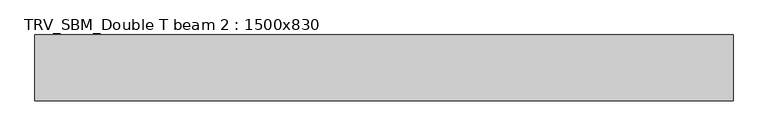
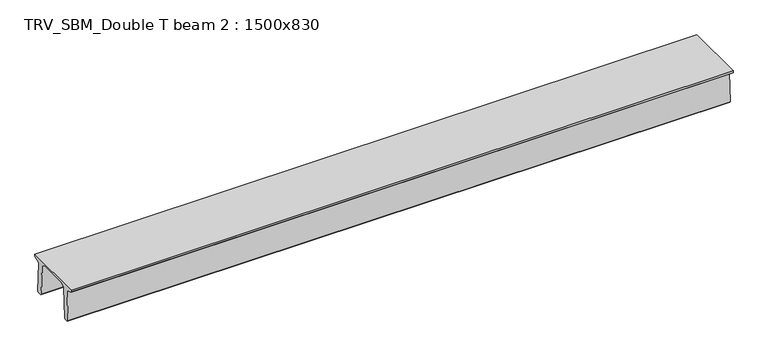
"""IFC4 building model written with IfcOpenShell, lengths in millimetres: beam geometry, TRV_SBM_Double T beam 2 : 1500x830."""

import ifcopenshell
import ifcopenshell.guid

model = None  # the IFC model being written
_history = None  # IfcOwnerHistory: only IFC2X3 demands one
_inside = {}  # id of a spatial element -> (the spatial element, [elements in it])
_under = {}  # id of a project, library or spatial element -> (it, [spatial elements below it])
_declared = {}  # id of a project -> (the project, [libraries it declares])
_typed = {}  # id of a type object -> (the type object, [elements of that type])
_made_of = {}  # id of a material, layer set ... -> (it, [elements and type objects made of it])


def new_model(schema):
    """Start an empty IFC model of exactly this schema.

    Asked for "IFC4X3", IfcOpenShell would pick the latest addendum, in which some entities
    have other attributes; the version numbers below select the first issue.
    IFC2X3 requires an IfcOwnerHistory on every rooted entity: one is made here for all.
    """
    global model, _history
    if schema == "IFC4X3":
        model = ifcopenshell.file(schema_version=(4, 3, 0, 0))
    else:
        model = ifcopenshell.file(schema=schema)
    _inside.clear()
    _under.clear()
    _declared.clear()
    _typed.clear()
    _made_of.clear()
    _history = None
    if model.schema == "IFC2X3":
        org = make("IfcOrganization", Name="unknown")
        user = make(
            "IfcPersonAndOrganization",
            ThePerson=make("IfcPerson", FamilyName="unknown"),
            TheOrganization=org,
        )
        app = make(
            "IfcApplication",
            ApplicationDeveloper=org,
            Version="unknown",
            ApplicationFullName="unknown",
            ApplicationIdentifier="unknown",
        )
        _history = make(
            "IfcOwnerHistory",
            OwningUser=user,
            OwningApplication=app,
            ChangeAction="ADDED",
            CreationDate=0,
        )
    return model


def make(cls, **values):
    """One entity of the class cls with the attributes given. An attribute that is None is left unset."""
    return model.create_entity(
        cls, **{name: value for name, value in values.items() if value is not None}
    )


def rooted(cls, **values):
    """An entity with a GlobalId (a new one), such as an element, a storey or a relation."""
    return make(cls, GlobalId=ifcopenshell.guid.new(), OwnerHistory=_history, **values)


def si_unit(unit_type, name, prefix=None):
    """IfcSIUnit, for example si_unit("LENGTHUNIT", "METRE", prefix="MILLI")."""
    return make("IfcSIUnit", UnitType=unit_type, Prefix=prefix, Name=name)


def assignment(units):
    """IfcUnitAssignment: the units of a project."""
    return None if units is None else make("IfcUnitAssignment", Units=units)


def point(xyz):
    """IfcCartesianPoint."""
    return None if xyz is None else make("IfcCartesianPoint", Coordinates=xyz)


def direction(xyz):
    """IfcDirection."""
    return None if xyz is None else make("IfcDirection", DirectionRatios=xyz)


def frame(location, z_axis=None, x_axis=None):
    """IfcAxis2Placement3D, a coordinate frame: its origin and axes. An axis left out is left unset."""
    return make(
        "IfcAxis2Placement3D",
        Location=point(location),
        Axis=direction(z_axis),
        RefDirection=direction(x_axis),
    )


def origin():
    """The frame at (0, 0, 0) with its axes left unset."""
    return frame((0.0, 0.0, 0.0))


def place(relative_to, where):
    """IfcLocalPlacement: puts the frame where relative to a parent placement (None: the world)."""
    return make(
        "IfcLocalPlacement", PlacementRelTo=relative_to, RelativePlacement=where
    )


def context(
    kind, dimensions, precision=None, world=None, true_north=None, identifier=None
):
    """IfcGeometricRepresentationContext, for example the 3D "Model" context."""
    return make(
        "IfcGeometricRepresentationContext",
        ContextIdentifier=identifier,
        ContextType=kind,
        CoordinateSpaceDimension=dimensions,
        Precision=precision,
        WorldCoordinateSystem=world,
        TrueNorth=true_north,
    )


def project(units=None, contexts=None):
    """IfcProject with its units and contexts."""
    return rooted(
        "IfcProject",
        Name="project",
        RepresentationContexts=contexts,
        UnitsInContext=assignment(units),
    )


def spatial(cls, under=None, at=None, **own):
    """A site, building, storey or space (cls), placed at a placement, below another one or the project."""
    s = rooted(cls, ObjectPlacement=at, **own)
    if under is not None:
        _under.setdefault(under.id(), (under, []))[1].append(s)
    return s


def polyline(points):
    """IfcPolyline through the points."""
    return make("IfcPolyline", Points=[point(p) for p in points])


def outline(outer, holes=None, kind="AREA"):
    """IfcArbitraryClosedProfileDef: a profile drawn as a closed curve; with holes, ...WithVoids."""
    if holes is None:
        return make("IfcArbitraryClosedProfileDef", ProfileType=kind, OuterCurve=outer)
    return make(
        "IfcArbitraryProfileDefWithVoids",
        ProfileType=kind,
        OuterCurve=outer,
        InnerCurves=holes,
    )


def extrude(swept, where, along, depth):
    """IfcExtrudedAreaSolid: the profile swept, set in the frame where, extruded along a direction by depth."""
    return make(
        "IfcExtrudedAreaSolid",
        SweptArea=swept,
        Position=where,
        ExtrudedDirection=direction(along),
        Depth=depth,
    )


def shape(context_of_items, identifier, shape_type, items):
    """IfcShapeRepresentation: the items that make up one representation, for example the "Body"."""
    return make(
        "IfcShapeRepresentation",
        ContextOfItems=context_of_items,
        RepresentationIdentifier=identifier,
        RepresentationType=shape_type,
        Items=items,
    )


def source(mapping_origin, context_of_items, identifier, shape_type, items):
    """IfcRepresentationMap: a shape defined once, which mapped items show again and again."""
    return make(
        "IfcRepresentationMap",
        MappingOrigin=mapping_origin,
        MappedRepresentation=shape(context_of_items, identifier, shape_type, items),
    )


def transform(
    local_origin,
    x_axis=None,
    y_axis=None,
    z_axis=None,
    scale=None,
    scale2=None,
    scale3=None,
    uniform=True,
):
    """IfcCartesianTransformationOperator3D, or its non-uniform kind. x_axis, y_axis, z_axis: its Axis1, 2, 3."""
    if uniform:
        return make(
            "IfcCartesianTransformationOperator3D",
            Axis1=direction(x_axis),
            Axis2=direction(y_axis),
            LocalOrigin=point(local_origin),
            Scale=scale,
            Axis3=direction(z_axis),
        )
    return make(
        "IfcCartesianTransformationOperator3DnonUniform",
        Axis1=direction(x_axis),
        Axis2=direction(y_axis),
        LocalOrigin=point(local_origin),
        Scale=scale,
        Axis3=direction(z_axis),
        Scale2=scale2,
        Scale3=scale3,
    )


def mapped(mapping_source, mapping_target):
    """IfcMappedItem: shows the shape of a source again, moved by a transform."""
    return make(
        "IfcMappedItem", MappingSource=mapping_source, MappingTarget=mapping_target
    )


def made_of(thing, what):
    """Note that an element or type object is made of a material, layer set ...; save() writes the relation."""
    if what is not None:
        _made_of.setdefault(what.id(), (what, []))[1].append(thing)
    return thing


def element(
    cls,
    number,
    at=None,
    inside=None,
    cuts=None,
    type_object=None,
    material=None,
    context=None,
    identifier="Body",
    shape_type=None,
    held_by="IfcProductDefinitionShape",
    body=None,
    shapes=None,
    **own,
):
    """One element of the class cls, such as IfcWall. Its Tag is "e" and its number.

    at: its placement. inside: the storey or other place that contains it. cuts: it is an
    opening in that element (IfcRelVoidsElement). A single representation is given by context,
    identifier, shape_type and body (its items); several are given by shapes. held_by: the class
    of the entity that holds the representations. save() writes the other relations.
    """
    e = rooted(cls, Tag="e%d" % number, ObjectPlacement=at, **own)
    if body is not None:
        shapes = [shape(context, identifier, shape_type, body)]
    if shapes is not None:
        e.Representation = make(held_by, Representations=shapes)
    if inside is not None:
        _inside.setdefault(inside.id(), (inside, []))[1].append(e)
    if cuts is not None:
        rooted(
            "IfcRelVoidsElement", RelatingBuildingElement=cuts, RelatedOpeningElement=e
        )
    if type_object is not None:
        _typed.setdefault(type_object.id(), (type_object, []))[1].append(e)
    return made_of(e, material)


def aggregate(whole, parts):
    """IfcRelAggregates: a whole, such as a stair, and the parts it consists of."""
    return rooted("IfcRelAggregates", RelatingObject=whole, RelatedObjects=parts)


def save(model, path):
    """Write the relations noted so far, then the file.

    IfcRelAggregates (storeys below a building ...), IfcRelContainedInSpatialStructure (elements
    in a storey), IfcRelDefinesByType, IfcRelAssociatesMaterial and IfcRelDeclares: one each for
    every whole, place, type object, material and project.
    """
    for whole, parts in _under.values():
        aggregate(whole, parts)
    for where, things in _inside.values():
        rooted(
            "IfcRelContainedInSpatialStructure",
            RelatedElements=things,
            RelatingStructure=where,
        )
    for kind, things in _typed.values():
        rooted("IfcRelDefinesByType", RelatedObjects=things, RelatingType=kind)
    for what, things in _made_of.values():
        rooted("IfcRelAssociatesMaterial", RelatedObjects=things, RelatingMaterial=what)
    for by, libraries in _declared.values():
        rooted("IfcRelDeclares", RelatingContext=by, RelatedDefinitions=libraries)
    model.write(path)


def trv_sbm_double_t_beam_2_1500x830_d6cf370d(model_context):
    return source(origin(), model_context, "Body", "SweptSolid", [
        extrude(outline(polyline([(337.4555014, 470.0), (-343.4555014, 470.0), (-456.5828437, 409.8491251), (-494.786332, -340.5206011), (-514.2657308, -360.0), (-604.2657308, -360.0), (-624.8277662, -339.4379646), (-586.9373878, 401.9654693), (-752.8511046, 468.9989621), (-753.0, 475.0), (-753.0, 520.0), (747.0, 520.0), (747.0, 475.0), (746.8511046, 468.9989621), (580.9373878, 401.9654693), (618.8277662, -339.4379646), (598.2657308, -360.0), (508.2657308, -360.0), (488.786332, -340.5206011), (450.5828437, 409.8491251), (337.4555014, 470.0)])), frame((-7886.5, 0.0, 0.0), z_axis=(1.0, 0.0, 0.0), x_axis=(0.0, 1.0, 0.0)), (0.0, 0.0, 1.0), 15850.0),
    ])


if __name__ == "__main__":
    model = new_model("IFC4")
    model_context = context("Model", 3, world=origin())
    ifc_project = project(units=[si_unit("LENGTHUNIT", "METRE", prefix="MILLI")], contexts=[model_context])
    site = spatial("IfcSite", under=ifc_project)
    building = spatial("IfcBuilding", under=site)
    placement = place(None, origin())
    trv_sbm_double_t_beam_2_1500x830_shape = trv_sbm_double_t_beam_2_1500x830_d6cf370d(model_context)
    element("IfcBeam", 1, ObjectType="TRV_SBM_Double T beam 2 : 1500x830", at=placement, inside=building, context=model_context, shape_type="MappedRepresentation", body=[
        mapped(trv_sbm_double_t_beam_2_1500x830_shape, transform((0.0, 0.0, 0.0), x_axis=(1.0, 0.0, 0.0), y_axis=(0.0, 1.0, 0.0), z_axis=(0.0, 0.0, 1.0))),
    ])
    save(model, "model.ifc")
